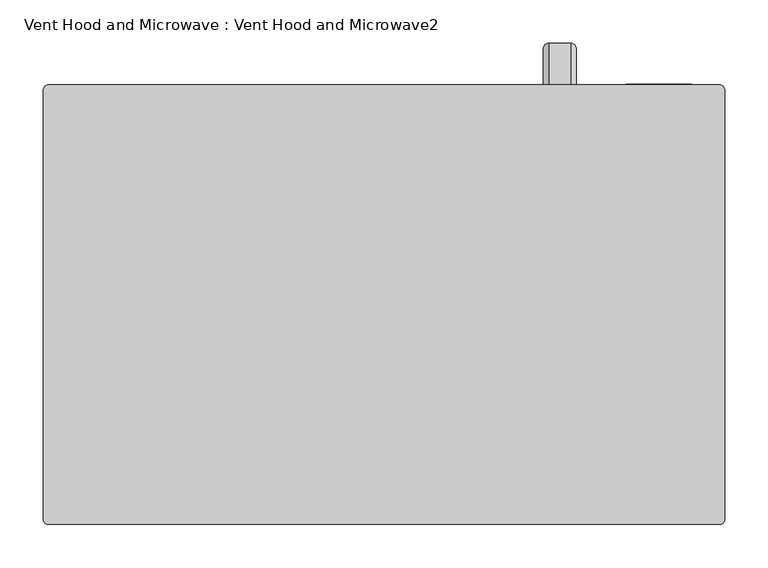
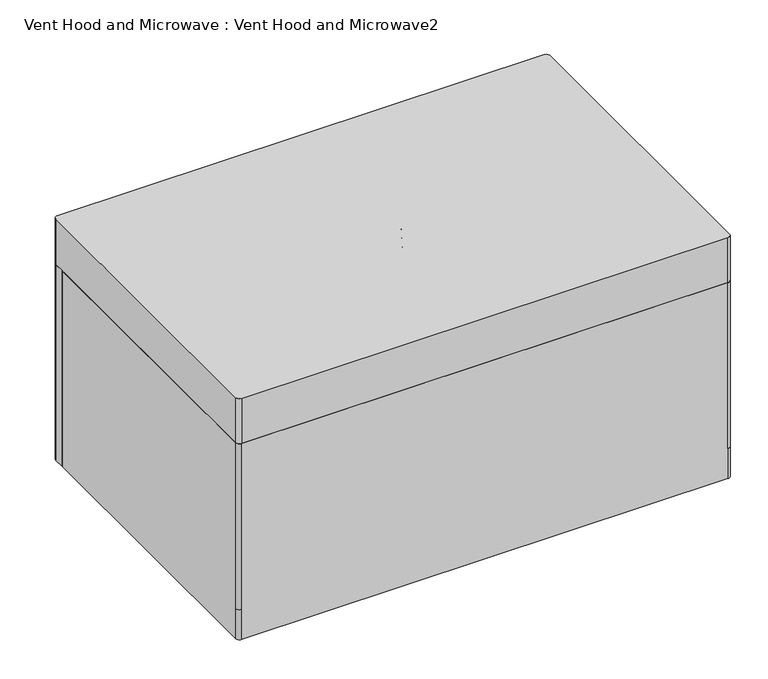
"""IFC4 building model written with IfcOpenShell, lengths in millimetres: proxy geometry, Vent Hood and Microwave : Vent Hood and Microwave2."""

from ifc_helpers import new_model, si_unit, point, frame, origin, place, context, project, spatial, polyline, circle_curve, ellipse_curve, trimmed, outline, extrude, source, transform, mapped, element, save
from ifc_brep_helpers import plane_surface, cylinder_surface, revolved_surface, advanced_brep


def vent_hood_and_microwave_vent_hood_and_microwave2_f18d08b0(model_context):
    return source(origin(), model_context, "Body", "SolidModel", [
        extrude(outline(polyline([(52.3788287, 76.2226698), (52.3788287, 266.7226698), (280.9788287, 266.7226698), (280.9788287, 76.2226698), (52.3788287, 76.2226698)])), frame((0.0, 0.0, -1.5875), z_axis=(0.0, 0.0, 1.0), x_axis=(1.0, 0.0, 0.0)), (0.0, 0.0, 1.0), 1.5875),
        extrude(outline(polyline([(46.0288287, 69.8726698), (46.0288287, 273.0726698), (287.3288287, 273.0726698), (287.3288287, 69.8726698), (46.0288287, 69.8726698)]), holes=[polyline([(52.3788287, 76.2226698), (280.9788287, 76.2226698), (280.9788287, 266.7226698), (52.3788287, 266.7226698), (52.3788287, 76.2226698)])]), frame((0.0, 0.0, -3.175), z_axis=(0.0, 0.0, 1.0), x_axis=(1.0, 0.0, 0.0)), (0.0, 0.0, 1.0), 3.175),
        extrude(outline(polyline([(-112.7211713, 76.2226698), (-341.3211713, 76.2226698), (-341.3211713, 266.7226698), (-112.7211713, 266.7226698), (-112.7211713, 76.2226698)])), frame((0.0, 0.0, -1.5875), z_axis=(0.0, 0.0, 1.0), x_axis=(1.0, 0.0, 0.0)), (0.0, 0.0, 1.0), 1.5875),
        extrude(outline(polyline([(-119.0711713, 69.8726698), (-347.6711713, 69.8726698), (-347.6711713, 273.0726698), (-119.0711713, 273.0726698), (-119.0711713, 69.8726698)]), holes=[polyline([(-125.4211713, 76.2226698), (-125.4211713, 266.7226698), (-341.3211713, 266.7226698), (-341.3211713, 76.2226698), (-125.4211713, 76.2226698)])]), frame((0.0, 0.0, -3.175), z_axis=(0.0, 0.0, 1.0), x_axis=(1.0, 0.0, 0.0)), (0.0, 0.0, 1.0), 3.175),
        advanced_brep(
        [(185.7288287, 409.3940669, 319.9832967), (192.0788287, 414.7536012, 323.3888645), (192.0788287, 420.1131355, 326.7944322), (185.7288287, 425.4726698, 330.2), (160.3288287, 425.4726698, 330.2), (153.9788287, 420.1131355, 326.7944322), (153.9788287, 414.7536012, 323.3888645), (160.3288287, 409.3940669, 319.9832967), (185.7288287, 409.3940669, 10.2167033), (160.3288287, 409.3940669, 10.2167033), (153.9788287, 414.7536012, 6.8111355), (153.9788287, 420.1131355, 3.4055678), (160.3288287, 425.4726698, 0.0), (185.7288287, 425.4726698, 0.0), (192.0788287, 420.1131355, 3.4055678), (192.0788287, 414.7536012, 6.8111355)],
        [
            (0, 1, circle_curve(frame((185.7288287, 414.7536012, 323.3888645), z_axis=(0.0, -0.5363098851818515, 0.8440211532042483), x_axis=(-1.0, 0.0, 0.0)), 6.35)),
            (1, 2),
            (2, 3, circle_curve(frame((185.7288287, 420.1131355, 326.7944322), z_axis=(0.0, -0.5363098851818515, 0.8440211532042483), x_axis=(-1.0, 0.0, 0.0)), 6.35)),
            (3, 4),
            (4, 5, circle_curve(frame((160.3288287, 420.1131355, 326.7944322), z_axis=(0.0, -0.5363098851818515, 0.8440211532042483), x_axis=(-1.0, 0.0, 0.0)), 6.35)),
            (5, 6),
            (6, 7, circle_curve(frame((160.3288287, 414.7536012, 323.3888645), z_axis=(0.0, -0.5363098851818515, 0.8440211532042483), x_axis=(-1.0, 0.0, 0.0)), 6.35)),
            (7, 0),
            (8, 9),
            (9, 10, circle_curve(frame((160.3288287, 414.7536012, 6.8111355), z_axis=(0.0, -0.5363098851818809, -0.8440211532042295), x_axis=(-1.0, 0.0, 0.0)), 6.35)),
            (10, 11),
            (11, 12, circle_curve(frame((160.3288287, 420.1131355, 3.4055678), z_axis=(0.0, -0.5363098851818809, -0.8440211532042295), x_axis=(-1.0, 0.0, 0.0)), 6.35)),
            (12, 13),
            (13, 14, circle_curve(frame((185.7288287, 420.1131355, 3.4055678), z_axis=(0.0, -0.5363098851818809, -0.8440211532042295), x_axis=(-1.0, 0.0, 0.0)), 6.35)),
            (14, 15),
            (15, 8, circle_curve(frame((185.7288287, 414.7536012, 6.8111355), z_axis=(0.0, -0.5363098851818809, -0.8440211532042295), x_axis=(-1.0, 0.0, 0.0)), 6.35)),
            (8, 0, circle_curve(frame((185.7288287, 165.6454762, 165.1), z_axis=(1.0, 0.0, 0.0), x_axis=(0.0, 0.8440211532042483, 0.5363098851818515)), 288.7944097)),
            (7, 9, circle_curve(frame((160.3288287, 165.6454762, 165.1), z_axis=(-1.0, 0.0, 0.0), x_axis=(0.0, 0.8440211532042483, 0.5363098851818515)), 288.7944097)),
            (6, 10, circle_curve(frame((153.9788287, 165.6454762, 165.1), z_axis=(-1.0, 0.0, 0.0), x_axis=(0.0, 0.8440211532042483, 0.5363098851818515)), 295.1444097)),
            (5, 11, circle_curve(frame((153.9788287, 165.6454762, 165.1), z_axis=(-1.0, 0.0, 0.0), x_axis=(0.0, 0.8440211532042483, 0.5363098851818515)), 301.4944097)),
            (4, 12, circle_curve(frame((160.3288287, 165.6454762, 165.1), z_axis=(-1.0, 0.0, 0.0), x_axis=(0.0, 0.8440211532042483, 0.5363098851818515)), 307.8444097)),
            (3, 13, circle_curve(frame((185.7288287, 165.6454762, 165.1), z_axis=(-1.0, 0.0, 0.0), x_axis=(0.0, 0.8440211532042483, 0.5363098851818515)), 307.8444097)),
            (2, 14, circle_curve(frame((192.0788287, 165.6454762, 165.1), z_axis=(-1.0, 0.0, 0.0), x_axis=(0.0, 0.8440211532042483, 0.5363098851818515)), 301.4944097)),
            (1, 15, circle_curve(frame((192.0788287, 165.6454762, 165.1), z_axis=(-1.0, 0.0, 0.0), x_axis=(0.0, 0.8440211532042483, 0.5363098851818515)), 295.1444097)),
        ],
        [
            plane_surface(frame((173.0288287, 425.4726698, 330.2), z_axis=(0.0, -0.5363098851818515, 0.8440211532042483), x_axis=(-1.0, 0.0, 0.0))),
            plane_surface(frame((173.0288287, 425.4726698, 0.0), z_axis=(0.0, -0.5363098851818812, -0.8440211532042295), x_axis=(-1.0, 0.0, 0.0))),
            revolved_surface(polyline([(185.7288287, 409.3940669139341, 319.9832967073676), (160.3288287, 409.3940669139341, 319.9832967073676)]), (173.0288287, 165.6454762, 165.1), (1.0, 0.0, 0.0)),
            revolved_surface(trimmed(ellipse_curve(frame((160.3288287, 414.7536012, 323.3888645), z_axis=(0.0, 0.5363098851818515, -0.8440211532042483), x_axis=(-1.0, 0.0, 0.0)), 6.35, 6.35), [point((160.3288287, 409.3940669, 319.9832967))], [point((153.9788287, 414.7536012, 323.3888645))], True, "CARTESIAN"), (173.0288287, 165.6454762, 165.1), (1.0, 0.0, 0.0)),
            plane_surface(frame((153.9788287, 165.6454762, 165.1), z_axis=(-1.0, 0.0, 0.0), x_axis=(0.0, 0.8440211532042483, 0.5363098851818515))),
            revolved_surface(trimmed(ellipse_curve(frame((160.3288287, 420.1131355, 326.7944322), z_axis=(0.0, 0.5363098851818515, -0.8440211532042483), x_axis=(-1.0, 0.0, 0.0)), 6.35, 6.35), [point((153.9788287, 420.1131355, 326.7944322))], [point((160.3288287, 425.4726698, 330.2))], True, "CARTESIAN"), (173.0288287, 165.6454762, 165.1), (1.0, 0.0, 0.0)),
            cylinder_surface(frame((173.0288287, 165.6454762, 165.1), z_axis=(1.0, 0.0, 0.0), x_axis=(0.0, 0.8440211532042483, 0.5363098851818515)), 307.8444097),
            revolved_surface(trimmed(ellipse_curve(frame((185.7288287, 420.1131355, 326.7944322), z_axis=(0.0, 0.5363098851818515, -0.8440211532042483), x_axis=(-1.0, 0.0, 0.0)), 6.35, 6.35), [point((185.7288287, 425.4726698, 330.2))], [point((192.0788287, 420.1131355, 326.7944322))], True, "CARTESIAN"), (173.0288287, 165.6454762, 165.1), (1.0, 0.0, 0.0)),
            plane_surface(frame((192.0788287, 165.6454762, 165.1), z_axis=(1.0, 0.0, 0.0), x_axis=(0.0, 0.8440211532042483, 0.5363098851818515))),
            revolved_surface(trimmed(ellipse_curve(frame((185.7288287, 414.7536012, 323.3888645), z_axis=(0.0, 0.5363098851818515, -0.8440211532042483), x_axis=(-1.0, 0.0, 0.0)), 6.35, 6.35), [point((192.0788287, 414.7536012, 323.3888645))], [point((185.7288287, 409.3940669, 319.9832967))], True, "CARTESIAN"), (173.0288287, 165.6454762, 165.1), (1.0, 0.0, 0.0)),
        ],
        [
            (0, [[1, 2, 3, 4, 5, 6, 7, 8]]),
            (1, [[9, 10, 11, 12, 13, 14, 15, 16]]),
            (2, [[-9, 17, -8, 18]]),
            (3, [[-10, -18, -7, 19]]),
            (4, [[-11, -19, -6, 20]]),
            (5, [[-12, -20, -5, 21]]),
            (6, [[-13, -21, -4, 22]]),
            (7, [[-14, -22, -3, 23]]),
            (8, [[-15, -23, -2, 24]]),
            (9, [[-16, -24, -1, -17]]),
        ],
    ),
        extrude(outline(polyline([(122.2288287, 419.1226698), (122.2288287, 415.9476698), (-373.0711713, 415.9476698), (-373.0711713, 419.1226698), (122.2288287, 419.1226698)])), frame((0.0, 0.0, 50.8), z_axis=(0.0, 0.0, 1.0), x_axis=(1.0, 0.0, 0.0)), (0.0, 0.0, 1.0), 241.3),
        advanced_brep(
        [(209.5413287, 401.6601698, 330.2), (209.5413287, 425.4726698, 330.2), (-417.5211713, 425.4726698, 330.2), (-423.8711713, 419.1226698, 330.2), (-423.8711713, 401.6601698, 330.2), (209.5413287, 401.6601698, 0.0), (-423.8711713, 401.6601698, 0.0), (-423.8711713, 419.1226698, 0.0), (-417.5211713, 425.4726698, 0.0), (209.5413287, 425.4726698, 0.0), (109.5288287, 401.6601698, 69.85), (103.1788287, 401.6601698, 63.5), (-354.0211713, 401.6601698, 63.5), (-360.3711713, 401.6601698, 69.85), (-360.3711713, 401.6601698, 273.05), (-354.0211713, 401.6601698, 279.4), (103.1788287, 401.6601698, 279.4), (109.5288287, 401.6601698, 273.05), (109.5288287, 425.4726698, 273.05), (103.1788287, 425.4726698, 279.4), (-354.0211713, 425.4726698, 279.4), (-360.3711713, 425.4726698, 273.05), (-360.3711713, 425.4726698, 69.85), (-354.0211713, 425.4726698, 63.5), (103.1788287, 425.4726698, 63.5), (109.5288287, 425.4726698, 69.85)],
        [
            (0, 1),
            (1, 2),
            (2, 3, circle_curve(frame((-417.5211713, 419.1226698, 330.2), z_axis=(0.0, 0.0, 1.0), x_axis=(1.0, 0.0, 0.0)), 6.35)),
            (3, 4),
            (4, 0),
            (5, 6),
            (6, 7),
            (7, 8, circle_curve(frame((-417.5211713, 419.1226698, 0.0), z_axis=(0.0, 0.0, -1.0), x_axis=(1.0, 0.0, 0.0)), 6.35)),
            (8, 9),
            (9, 5),
            (4, 6),
            (5, 0),
            (10, 11, circle_curve(frame((103.1788287, 401.6601698, 69.85), z_axis=(0.0, 1.0, 0.0), x_axis=(0.0, 0.0, 1.0)), 6.35)),
            (11, 12),
            (12, 13, circle_curve(frame((-354.0211713, 401.6601698, 69.85), z_axis=(0.0, 1.0, 0.0), x_axis=(0.0, 0.0, 1.0)), 6.35)),
            (13, 14),
            (14, 15, circle_curve(frame((-354.0211713, 401.6601698, 273.05), z_axis=(0.0, 1.0, 0.0), x_axis=(0.0, 0.0, 1.0)), 6.35)),
            (15, 16),
            (16, 17, circle_curve(frame((103.1788287, 401.6601698, 273.05), z_axis=(0.0, 1.0, 0.0), x_axis=(0.0, 0.0, 1.0)), 6.35)),
            (17, 10),
            (3, 7),
            (2, 8),
            (1, 9),
            (18, 19, circle_curve(frame((103.1788287, 425.4726698, 273.05), z_axis=(0.0, -1.0, 0.0), x_axis=(0.0, 0.0, 1.0)), 6.35)),
            (19, 20),
            (20, 21, circle_curve(frame((-354.0211713, 425.4726698, 273.05), z_axis=(0.0, -1.0, 0.0), x_axis=(0.0, 0.0, 1.0)), 6.35)),
            (21, 22),
            (22, 23, circle_curve(frame((-354.0211713, 425.4726698, 69.85), z_axis=(0.0, -1.0, 0.0), x_axis=(0.0, 0.0, 1.0)), 6.35)),
            (23, 24),
            (24, 25, circle_curve(frame((103.1788287, 425.4726698, 69.85), z_axis=(0.0, -1.0, 0.0), x_axis=(0.0, 0.0, 1.0)), 6.35)),
            (25, 18),
            (16, 19),
            (18, 17),
            (25, 10),
            (24, 11),
            (23, 12),
            (22, 13),
            (21, 14),
            (20, 15),
        ],
        [
            plane_surface(frame((-423.8711713, 401.6601698, 330.2), z_axis=(0.0, 0.0, 1.0), x_axis=(-1.0, 0.0, 0.0))),
            plane_surface(frame((-423.8711713, 401.6601698, 0.0), z_axis=(0.0, 0.0, -1.0), x_axis=(1.0, 0.0, 0.0))),
            plane_surface(frame((209.5413287, 401.6601698, 330.2), z_axis=(0.0, -1.0, 0.0), x_axis=(0.0, 0.0, -1.0))),
            plane_surface(frame((-423.8711713, 401.6601698, 330.2), z_axis=(-1.0, 0.0, 0.0), x_axis=(0.0, 0.0, -1.0))),
            cylinder_surface(frame((-417.5211713, 419.1226698, 0.0), z_axis=(0.0, 0.0, 1.0), x_axis=(1.0, 0.0, 0.0)), 6.35),
            plane_surface(frame((-417.5211713, 425.4726698, 330.2), z_axis=(0.0, 1.0, 0.0), x_axis=(0.0, 0.0, -1.0))),
            plane_surface(frame((209.5413287, 425.4726698, 330.2), z_axis=(1.0, 0.0, 0.0), x_axis=(0.0, 0.0, -1.0))),
            revolved_surface(polyline([(103.1788287, 401.6601698, 279.40000000000003), (103.1788287, 425.4726698, 279.40000000000003)]), (103.1788287, 425.4726698, 273.05), (0.0, -1.0, 0.0)),
            plane_surface(frame((109.5288287, 374.6726698, 273.05), z_axis=(-1.0, 0.0, 0.0), x_axis=(0.0, 1.0, 0.0))),
            revolved_surface(polyline([(103.1788287, 401.6601698, 76.19999999999999), (103.1788287, 425.4726698, 76.19999999999999)]), (103.1788287, 425.4726698, 69.85), (0.0, -1.0, 0.0)),
            plane_surface(frame((103.1788287, 374.6726698, 63.5), z_axis=(0.0, 0.0, 1.0), x_axis=(0.0, 1.0, 0.0))),
            revolved_surface(polyline([(-354.0211713, 401.6601698, 76.19999999999999), (-354.0211713, 425.4726698, 76.19999999999999)]), (-354.0211713, 425.4726698, 69.85), (0.0, -1.0, 0.0)),
            plane_surface(frame((-360.3711713, 374.6726698, 69.85), z_axis=(1.0, 0.0, 0.0), x_axis=(0.0, 1.0, 0.0))),
            revolved_surface(polyline([(-354.0211713, 401.6601698, 279.40000000000003), (-354.0211713, 425.4726698, 279.40000000000003)]), (-354.0211713, 425.4726698, 273.05), (0.0, -1.0, 0.0)),
            plane_surface(frame((-354.0211713, 374.6726698, 279.4), z_axis=(0.0, 0.0, -1.0), x_axis=(0.0, 1.0, 0.0))),
        ],
        [
            (0, [[1, 2, 3, 4, 5]]),
            (1, [[6, 7, 8, 9, 10]]),
            (2, [[11, -6, 12, -5], [13, 14, 15, 16, 17, 18, 19, 20]]),
            (3, [[21, -7, -11, -4]]),
            (4, [[22, -8, -21, -3]]),
            (5, [[23, -9, -22, -2], [24, 25, 26, 27, 28, 29, 30, 31]]),
            (6, [[-12, -10, -23, -1]]),
            (7, [[-19, 32, -24, 33]]),
            (8, [[-31, 34, -20, -33]]),
            (9, [[-13, -34, -30, 35]]),
            (10, [[-29, 36, -14, -35]]),
            (11, [[-15, -36, -28, 37]]),
            (12, [[-27, 38, -16, -37]]),
            (13, [[-17, -38, -26, 39]]),
            (14, [[-25, -32, -18, -39]]),
        ],
    ),
        extrude(outline(polyline([(325.4288287, 426.2664198), (325.4288287, 425.4726698), (249.2288287, 425.4726698), (249.2288287, 426.2664198), (325.4288287, 426.2664198)])), frame((0.0, 0.0, 279.413632), z_axis=(0.0, 0.0, 1.0), x_axis=(1.0, 0.0, 0.0)), (0.0, 0.0, 1.0), 19.05),
        advanced_brep(
        [(-423.8711713, -76.1773302, 330.2), (-417.5211713, -82.5273302, 330.2), (357.1788287, -82.5273302, 330.2), (363.5288287, -76.1773302, 330.2), (363.5288287, 419.1226698, 330.2), (357.1788287, 425.4726698, 330.2), (211.1288287, 425.4726698, 330.2), (211.1288287, -57.1273302, 330.2), (-398.4711713, -57.1273302, 330.2), (-398.4711713, 400.0726698, 330.2), (-423.8711713, 400.0726698, 330.2), (-423.8711713, 400.0726698, 0.0), (-423.8711713, -76.1773302, 0.0), (-423.8711713, -76.1773302, 50.8), (-398.4711713, 400.0726698, 50.8), (211.1288287, 400.0726698, 50.8), (211.1288287, 400.0726698, 0.0), (-398.4711713, -57.1273302, 50.8), (211.1288287, -57.1273302, 50.8), (211.1288287, 425.4726698, 0.0), (357.1788287, 425.4726698, 50.8), (357.1788287, 425.4726698, 0.0), (344.4788287, 425.4726698, 304.813632), (338.1288287, 425.4726698, 311.163632), (236.5288287, 425.4726698, 311.163632), (230.1788287, 425.4726698, 304.813632), (230.1788287, 425.4726698, 50.8), (344.4788287, 425.4726698, 50.8), (363.5288287, 419.1226698, 50.8), (363.5288287, -76.1773302, 50.8), (363.5288287, -76.1773302, 0.0), (363.5288287, 419.1226698, 0.0), (357.1788287, -82.5273302, 50.8), (-417.5211713, -82.5273302, 50.8), (-417.5211713, -82.5273302, 0.0), (357.1788287, -82.5273302, 0.0), (344.4788287, 423.8851698, 304.813632), (344.4788287, 423.8851698, 50.8), (230.1788287, 423.8851698, 50.8), (230.1788287, 423.8851698, 304.813632), (236.5288287, 423.8851698, 311.163632), (338.1288287, 423.8851698, 311.163632)],
        [
            (0, 1, circle_curve(frame((-417.5211713, -76.1773302, 330.2), z_axis=(0.0, 0.0, 1.0), x_axis=(1.0, 0.0, 0.0)), 6.35)),
            (1, 2),
            (2, 3, circle_curve(frame((357.1788287, -76.1773302, 330.2), z_axis=(0.0, 0.0, 1.0), x_axis=(1.0, 0.0, 0.0)), 6.35)),
            (3, 4),
            (4, 5, circle_curve(frame((357.1788287, 419.1226698, 330.2), z_axis=(0.0, 0.0, 1.0), x_axis=(1.0, 0.0, 0.0)), 6.35)),
            (5, 6),
            (6, 7),
            (7, 8),
            (8, 9),
            (9, 10),
            (10, 0),
            (10, 11),
            (11, 12),
            (12, 13),
            (13, 0),
            (9, 14),
            (14, 15),
            (15, 16),
            (16, 11),
            (8, 17),
            (17, 14),
            (7, 18),
            (18, 17),
            (6, 19),
            (19, 16),
            (15, 18),
            (5, 20),
            (20, 21),
            (21, 19),
            (22, 23, circle_curve(frame((338.1288287, 425.4726698, 304.813632), z_axis=(0.0, -1.0, 0.0), x_axis=(0.0, 0.0, 1.0)), 6.35)),
            (23, 24),
            (24, 25, circle_curve(frame((236.5288287, 425.4726698, 304.813632), z_axis=(0.0, -1.0, 0.0), x_axis=(0.0, 0.0, 1.0)), 6.35)),
            (25, 26),
            (26, 27),
            (27, 22),
            (4, 28),
            (28, 20, circle_curve(frame((357.1788287, 419.1226698, 50.8), z_axis=(0.0, 0.0, 1.0), x_axis=(1.0, 0.0, 0.0)), 6.35)),
            (3, 29),
            (29, 30),
            (30, 31),
            (31, 28),
            (2, 32),
            (32, 29, circle_curve(frame((357.1788287, -76.1773302, 50.8), z_axis=(0.0, 0.0, 1.0), x_axis=(1.0, 0.0, 0.0)), 6.35)),
            (1, 33),
            (33, 34),
            (34, 35),
            (35, 32),
            (13, 33, circle_curve(frame((-417.5211713, -76.1773302, 50.8), z_axis=(0.0, 0.0, 1.0), x_axis=(1.0, 0.0, 0.0)), 6.35)),
            (36, 37),
            (37, 38),
            (38, 39),
            (39, 40, circle_curve(frame((236.5288287, 423.8851698, 304.813632), z_axis=(0.0, 1.0, 0.0), x_axis=(0.0, 0.0, 1.0)), 6.35)),
            (40, 41),
            (41, 36, circle_curve(frame((338.1288287, 423.8851698, 304.813632), z_axis=(0.0, 1.0, 0.0), x_axis=(0.0, 0.0, 1.0)), 6.35)),
            (38, 26),
            (25, 39),
            (24, 40),
            (23, 41),
            (22, 36),
            (27, 37),
            (21, 31, circle_curve(frame((357.1788287, 419.1226698, 0.0), z_axis=(0.0, 0.0, -1.0), x_axis=(1.0, 0.0, 0.0)), 6.35)),
            (30, 35, circle_curve(frame((357.1788287, -76.1773302, 0.0), z_axis=(0.0, 0.0, -1.0), x_axis=(1.0, 0.0, 0.0)), 6.35)),
            (34, 12, circle_curve(frame((-417.5211713, -76.1773302, 0.0), z_axis=(0.0, 0.0, -1.0), x_axis=(1.0, 0.0, 0.0)), 6.35)),
        ],
        [
            plane_surface(frame((-423.8711713, 400.0726698, 330.2), z_axis=(0.0, 0.0, 1.0), x_axis=(0.0, 1.0, 0.0))),
            plane_surface(frame((-423.8711713, -76.1773302, 330.2), z_axis=(-1.0, 0.0, 0.0), x_axis=(0.0, 0.0, -1.0))),
            plane_surface(frame((-423.8711713, 400.0726698, 330.2), z_axis=(0.0, 1.0, 0.0), x_axis=(0.0, 0.0, -1.0))),
            plane_surface(frame((-398.4711713, 400.0726698, 330.2), z_axis=(1.0, 0.0, 0.0), x_axis=(0.0, 0.0, -1.0))),
            plane_surface(frame((-398.4711713, -57.1273302, 330.2), z_axis=(0.0, 1.0, 0.0), x_axis=(0.0, 0.0, -1.0))),
            plane_surface(frame((211.1288287, -57.1273302, 330.2), z_axis=(-1.0, 0.0, 0.0), x_axis=(0.0, 0.0, -1.0))),
            plane_surface(frame((211.1288287, 425.4726698, 330.2), z_axis=(0.0, 1.0, 0.0), x_axis=(0.0, 0.0, -1.0))),
            cylinder_surface(frame((357.1788287, 419.1226698, 50.8), z_axis=(0.0, 0.0, 1.0), x_axis=(1.0, 0.0, 0.0)), 6.35),
            plane_surface(frame((363.5288287, 419.1226698, 330.2), z_axis=(1.0, 0.0, 0.0), x_axis=(0.0, 0.0, -1.0))),
            cylinder_surface(frame((357.1788287, -76.1773302, 50.8), z_axis=(0.0, 0.0, 1.0), x_axis=(1.0, 0.0, 0.0)), 6.35),
            plane_surface(frame((357.1788287, -82.5273302, 330.2), z_axis=(0.0, -1.0, 0.0), x_axis=(0.0, 0.0, -1.0))),
            cylinder_surface(frame((-417.5211713, -76.1773302, 50.8), z_axis=(0.0, 0.0, 1.0), x_axis=(1.0, 0.0, 0.0)), 6.35),
            plane_surface(frame((236.5288287, 423.8851698, 19.063632), z_axis=(0.0, 1.0, 0.0), x_axis=(-1.0, 0.0, 0.0))),
            plane_surface(frame((230.1788287, 423.8851698, 25.413632), z_axis=(1.0, 0.0, 0.0), x_axis=(0.0, 1.0, 0.0))),
            revolved_surface(polyline([(236.5288287, 423.8851698, 311.163632), (236.5288287, 425.4726698, 311.163632)]), (236.5288287, 425.4726698, 304.813632), (0.0, -1.0, 0.0)),
            plane_surface(frame((236.5288287, 423.8851698, 311.163632), z_axis=(0.0, 0.0, -1.0), x_axis=(0.0, 1.0, 0.0))),
            revolved_surface(polyline([(338.1288287, 423.8851698, 311.163632), (338.1288287, 425.4726698, 311.163632)]), (338.1288287, 425.4726698, 304.813632), (0.0, -1.0, 0.0)),
            plane_surface(frame((344.4788287, 423.8851698, 304.813632), z_axis=(-1.0, 0.0, 0.0), x_axis=(0.0, 1.0, 0.0))),
            plane_surface(frame((-423.8711713, 400.0726698, 50.8), z_axis=(0.0, 0.0, 1.0), x_axis=(0.0, 1.0, 0.0))),
            plane_surface(frame((-423.8711713, 400.0726698, 0.0), z_axis=(0.0, 0.0, -1.0), x_axis=(0.0, -1.0, 0.0))),
            cylinder_surface(frame((357.1788287, 419.1226698, 0.0), z_axis=(0.0, 0.0, 1.0), x_axis=(1.0, 0.0, 0.0)), 6.35),
            cylinder_surface(frame((357.1788287, -76.1773302, 0.0), z_axis=(0.0, 0.0, 1.0), x_axis=(1.0, 0.0, 0.0)), 6.35),
            cylinder_surface(frame((-417.5211713, -76.1773302, 0.0), z_axis=(0.0, 0.0, 1.0), x_axis=(1.0, 0.0, 0.0)), 6.35),
        ],
        [
            (0, [[1, 2, 3, 4, 5, 6, 7, 8, 9, 10, 11]]),
            (1, [[12, 13, 14, 15, -11]]),
            (2, [[16, 17, 18, 19, -12, -10]]),
            (3, [[20, 21, -16, -9]]),
            (4, [[22, 23, -20, -8]]),
            (5, [[24, 25, -18, 26, -22, -7]]),
            (6, [[27, 28, 29, -24, -6], [30, 31, 32, 33, 34, 35]]),
            (7, [[36, 37, -27, -5]]),
            (8, [[38, 39, 40, 41, -36, -4]]),
            (9, [[42, 43, -38, -3]]),
            (10, [[44, 45, 46, 47, -42, -2]]),
            (11, [[-15, 48, -44, -1]]),
            (12, [[49, 50, 51, 52, 53, 54]]),
            (13, [[-51, 55, -33, 56]]),
            (14, [[-56, -32, 57, -52]]),
            (15, [[-57, -31, 58, -53]]),
            (16, [[-58, -30, 59, -54]]),
            (17, [[-35, 60, -49, -59]]),
            (18, [[-55, -50, -60, -34]]),
            (18, [[-21, -23, -26, -17]]),
            (19, [[-13, -19, -25, -29, 61, -40, 62, -46, 63]]),
            (20, [[-28, -37, -41, -61]]),
            (21, [[-39, -43, -47, -62]]),
            (22, [[-45, -48, -14, -63]]),
        ],
    ),
        advanced_brep(
        [(357.1788287, -82.5273302, 330.2), (-417.5211713, -82.5273302, 330.2), (-423.8711713, -76.1773302, 330.2), (-423.8711713, 419.1226698, 330.2), (-417.5211713, 425.4726698, 330.2), (357.1788287, 425.4726698, 330.2), (363.5288287, 419.1226698, 330.2), (363.5288287, -76.1773302, 330.2), (357.1788287, -82.5273302, 406.4), (363.5288287, -76.1773302, 406.4), (363.5288287, 419.1226698, 406.4), (357.1788287, 425.4726698, 406.4), (-417.5211713, 425.4726698, 406.4), (-423.8711713, 419.1226698, 406.4), (-423.8711713, -76.1773302, 406.4), (-417.5211713, -82.5273302, 406.4), (-373.0711713, 425.4726698, 390.4959324), (312.7288287, 425.4726698, 390.4959324), (312.7288287, 425.4726698, 396.9040676), (-373.0711713, 425.4726698, 396.9040676), (-373.0711713, 425.4726698, 365.125), (312.7288287, 425.4726698, 365.125), (312.7288287, 425.4726698, 371.475), (-373.0711713, 425.4726698, 371.475), (-373.0711713, 425.4726698, 377.825), (312.7288287, 425.4726698, 377.825), (312.7288287, 425.4726698, 384.175), (-373.0711713, 425.4726698, 384.175), (-373.0711713, 425.4726698, 339.725), (312.7288287, 425.4726698, 339.725), (312.7288287, 425.4726698, 346.075), (-373.0711713, 425.4726698, 346.075), (-373.0711713, 425.4726698, 352.425), (312.7288287, 425.4726698, 352.425), (312.7288287, 425.4726698, 358.775), (-373.0711713, 425.4726698, 358.775)],
        [
            (0, 1),
            (1, 2, circle_curve(frame((-417.5211713, -76.1773302, 330.2), z_axis=(0.0, 0.0, -1.0), x_axis=(0.0, 1.0, 0.0)), 6.35)),
            (2, 3),
            (3, 4, circle_curve(frame((-417.5211713, 419.1226698, 330.2), z_axis=(0.0, 0.0, -1.0), x_axis=(0.0, 1.0, 0.0)), 6.35)),
            (4, 5),
            (5, 6, circle_curve(frame((357.1788287, 419.1226698, 330.2), z_axis=(0.0, 0.0, -1.0), x_axis=(0.0, 1.0, 0.0)), 6.35)),
            (6, 7),
            (7, 0, circle_curve(frame((357.1788287, -76.1773302, 330.2), z_axis=(0.0, 0.0, -1.0), x_axis=(0.0, 1.0, 0.0)), 6.35)),
            (8, 9, circle_curve(frame((357.1788287, -76.1773302, 406.4), z_axis=(0.0, 0.0, 1.0), x_axis=(0.0, 1.0, 0.0)), 6.35)),
            (9, 10),
            (10, 11, circle_curve(frame((357.1788287, 419.1226698, 406.4), z_axis=(0.0, 0.0, 1.0), x_axis=(0.0, 1.0, 0.0)), 6.35)),
            (11, 12),
            (12, 13, circle_curve(frame((-417.5211713, 419.1226698, 406.4), z_axis=(0.0, 0.0, 1.0), x_axis=(0.0, 1.0, 0.0)), 6.35)),
            (13, 14),
            (14, 15, circle_curve(frame((-417.5211713, -76.1773302, 406.4), z_axis=(0.0, 0.0, 1.0), x_axis=(0.0, 1.0, 0.0)), 6.35)),
            (15, 8),
            (7, 9),
            (8, 0),
            (6, 10),
            (5, 11),
            (4, 12),
            (16, 17),
            (17, 18),
            (18, 19),
            (19, 16),
            (20, 21),
            (21, 22),
            (22, 23),
            (23, 20),
            (24, 25),
            (25, 26),
            (26, 27),
            (27, 24),
            (28, 29),
            (29, 30),
            (30, 31),
            (31, 28),
            (32, 33),
            (33, 34),
            (34, 35),
            (35, 32),
            (3, 13),
            (2, 14),
            (1, 15),
            (19, 16, circle_curve(frame((-373.0711713, 425.4726698, 393.7), z_axis=(1.0, 0.0, 0.0), x_axis=(0.0, 0.0, 1.0)), 3.2040676)),
            (17, 18, circle_curve(frame((312.7288287, 425.4726698, 393.7), z_axis=(-1.0, 0.0, 0.0), x_axis=(0.0, 0.0, 1.0)), 3.2040676)),
            (27, 24, circle_curve(frame((-373.0711713, 425.4726698, 381.0), z_axis=(1.0, 0.0, 0.0), x_axis=(0.0, 0.0, 1.0)), 3.175)),
            (31, 28, circle_curve(frame((-373.0711713, 425.4726698, 342.9), z_axis=(1.0, 0.0, 0.0), x_axis=(0.0, 0.0, 1.0)), 3.175)),
            (35, 32, circle_curve(frame((-373.0711713, 425.4726698, 355.6), z_axis=(1.0, 0.0, 0.0), x_axis=(0.0, 0.0, 1.0)), 3.175)),
            (23, 20, circle_curve(frame((-373.0711713, 425.4726698, 368.3), z_axis=(1.0, 0.0, 0.0), x_axis=(0.0, 0.0, 1.0)), 3.175)),
            (21, 22, circle_curve(frame((312.7288287, 425.4726698, 368.3), z_axis=(-1.0, 0.0, 0.0), x_axis=(0.0, 0.0, 1.0)), 3.175)),
            (33, 34, circle_curve(frame((312.7288287, 425.4726698, 355.6), z_axis=(-1.0, 0.0, 0.0), x_axis=(0.0, 0.0, 1.0)), 3.175)),
            (29, 30, circle_curve(frame((312.7288287, 425.4726698, 342.9), z_axis=(-1.0, 0.0, 0.0), x_axis=(0.0, 0.0, 1.0)), 3.175)),
            (25, 26, circle_curve(frame((312.7288287, 425.4726698, 381.0), z_axis=(-1.0, 0.0, 0.0), x_axis=(0.0, 0.0, 1.0)), 3.175)),
        ],
        [
            plane_surface(frame((357.1788287, -69.8273302, 330.2), z_axis=(0.0, 0.0, -1.0), x_axis=(-1.0, 0.0, 0.0))),
            plane_surface(frame((357.1788287, -69.8273302, 406.4), z_axis=(0.0, 0.0, 1.0), x_axis=(1.0, 0.0, 0.0))),
            cylinder_surface(frame((357.1788287, -76.1773302, 406.4), z_axis=(0.0, 0.0, -1.0), x_axis=(0.0, 1.0, 0.0)), 6.35),
            plane_surface(frame((363.5288287, -76.1773302, 330.2), z_axis=(1.0, 0.0, 0.0), x_axis=(0.0, 0.0, 1.0))),
            cylinder_surface(frame((357.1788287, 419.1226698, 406.4), z_axis=(0.0, 0.0, -1.0), x_axis=(0.0, 1.0, 0.0)), 6.35),
            plane_surface(frame((357.1788287, 425.4726698, 330.2), z_axis=(0.0, 1.0, 0.0), x_axis=(0.0, 0.0, 1.0))),
            cylinder_surface(frame((-417.5211713, 419.1226698, 406.4), z_axis=(0.0, 0.0, -1.0), x_axis=(0.0, 1.0, 0.0)), 6.35),
            plane_surface(frame((-423.8711713, 419.1226698, 330.2), z_axis=(-1.0, 0.0, 0.0), x_axis=(0.0, 0.0, 1.0))),
            cylinder_surface(frame((-417.5211713, -76.1773302, 406.4), z_axis=(0.0, 0.0, -1.0), x_axis=(0.0, 1.0, 0.0)), 6.35),
            plane_surface(frame((-417.5211713, -82.5273302, 330.2), z_axis=(0.0, -1.0, 0.0), x_axis=(0.0, 0.0, 1.0))),
            plane_surface(frame((-373.0711713, 425.4726698, 393.7), z_axis=(1.0, 0.0, 0.0), x_axis=(0.0, 1.0, 0.0))),
            plane_surface(frame((312.7288287, 425.4726698, 393.7), z_axis=(-1.0, 0.0, 0.0), x_axis=(0.0, 1.0, 0.0))),
            revolved_surface(polyline([(-373.0711713, 425.4726698, 396.90406759999996), (312.72882869999995, 425.4726698, 396.90406759999996)]), (-373.0711713, 425.4726698, 393.7), (-1.0, 0.0, 0.0)),
            plane_surface(frame((-373.0711713, 425.4726698, 381.0), z_axis=(1.0, 0.0, 0.0), x_axis=(0.0, 1.0, 0.0))),
            plane_surface(frame((312.7288287, 425.4726698, 381.0), z_axis=(-1.0, 0.0, 0.0), x_axis=(0.0, 1.0, 0.0))),
            revolved_surface(polyline([(-373.0711713, 425.4726698, 371.475), (312.72882869999995, 425.4726698, 371.475)]), (-373.0711713, 425.4726698, 368.3), (-1.0, 0.0, 0.0)),
            revolved_surface(polyline([(-373.0711713, 425.4726698, 358.77500000000003), (312.72882869999995, 425.4726698, 358.77500000000003)]), (-373.0711713, 425.4726698, 355.6), (-1.0, 0.0, 0.0)),
            revolved_surface(polyline([(-373.0711713, 425.4726698, 346.075), (312.72882869999995, 425.4726698, 346.075)]), (-373.0711713, 425.4726698, 342.9), (-1.0, 0.0, 0.0)),
            revolved_surface(polyline([(-373.0711713, 425.4726698, 384.175), (312.72882869999995, 425.4726698, 384.175)]), (-373.0711713, 425.4726698, 381.0), (-1.0, 0.0, 0.0)),
        ],
        [
            (0, [[1, 2, 3, 4, 5, 6, 7, 8]]),
            (1, [[9, 10, 11, 12, 13, 14, 15, 16]]),
            (2, [[17, -9, 18, -8]]),
            (3, [[19, -10, -17, -7]]),
            (4, [[20, -11, -19, -6]]),
            (5, [[21, -12, -20, -5], [22, 23, 24, 25], [26, 27, 28, 29], [30, 31, 32, 33], [34, 35, 36, 37], [38, 39, 40, 41]]),
            (6, [[42, -13, -21, -4]]),
            (7, [[43, -14, -42, -3]]),
            (8, [[44, -15, -43, -2]]),
            (9, [[-18, -16, -44, -1]]),
            (10, [[-25, 45]]),
            (11, [[-23, 46]]),
            (12, [[-24, -46, -22, -45]]),
            (13, [[-33, 47]]),
            (13, [[-37, 48]]),
            (13, [[-41, 49]]),
            (13, [[-29, 50]]),
            (14, [[-27, 51]]),
            (14, [[-39, 52]]),
            (14, [[-35, 53]]),
            (14, [[-31, 54]]),
            (15, [[-28, -51, -26, -50]]),
            (16, [[-40, -52, -38, -49]]),
            (17, [[-36, -53, -34, -48]]),
            (18, [[-32, -54, -30, -47]]),
        ],
    ),
    ])


if __name__ == "__main__":
    model = new_model("IFC4")
    model_context = context("Model", 3, world=origin())
    ifc_project = project(units=[si_unit("LENGTHUNIT", "METRE", prefix="MILLI")], contexts=[model_context])
    site = spatial("IfcSite", under=ifc_project)
    building = spatial("IfcBuilding", under=site)
    placement = place(None, origin())
    vent_hood_and_microwave_vent_hood_and_microwave2_shape = vent_hood_and_microwave_vent_hood_and_microwave2_f18d08b0(model_context)
    element("IfcBuildingElementProxy", 1, Name="Vent Hood and Microwave : Vent Hood and Microwave2", ObjectType="Vent Hood and Microwave : Vent Hood and Microwave2", at=placement, inside=building, context=model_context, shape_type="MappedRepresentation", body=[
        mapped(vent_hood_and_microwave_vent_hood_and_microwave2_shape, transform((0.0, 0.0, 0.0), x_axis=(1.0, 0.0, 0.0), y_axis=(0.0, 1.0, 0.0), z_axis=(0.0, 0.0, 1.0))),
    ])
    save(model, "model.ifc")
